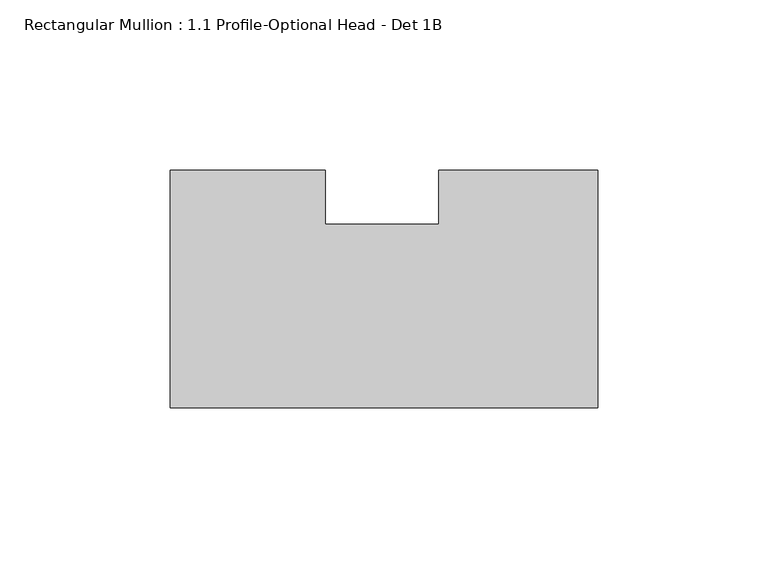
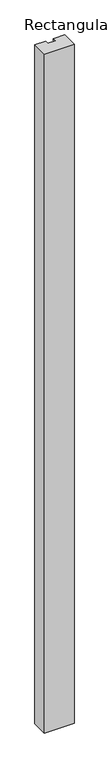
"""IFC4 building model written with IfcOpenShell, lengths in millimetres: member geometry, Rectangular Mullion : 1.1 Profile-Optional Head - Det 1B."""

from ifc_helpers import new_model, si_unit, frame, origin, place, context, project, spatial, polyline, outline, extrude, source, transform, mapped, element, save


def rectangular_mullion_1_1_profile_optional_head_det_1b_4a0eb467(model_context):
    return source(origin(), model_context, "Body", "SweptSolid", [
        extrude(outline(polyline([(-125.7808, -34.925), (-125.7808, 34.925), (-80.1790697, 34.925), (-80.1790697, 19.05), (-46.8663744, 19.05), (-46.8663744, 34.925), (0.0, 34.925), (0.0, -34.925), (-125.7808, -34.925)])), frame((0.0, 0.0, -3048.0), z_axis=(0.0, 0.0, 1.0), x_axis=(1.0, 0.0, 0.0)), (0.0, 0.0, 1.0), 3048.0),
    ])


if __name__ == "__main__":
    model = new_model("IFC4")
    model_context = context("Model", 3, world=origin())
    ifc_project = project(units=[si_unit("LENGTHUNIT", "METRE", prefix="MILLI")], contexts=[model_context])
    site = spatial("IfcSite", under=ifc_project)
    building = spatial("IfcBuilding", under=site)
    placement = place(None, origin())
    rectangular_mullion_1_1_profile_optional_head_det_1b_shape = rectangular_mullion_1_1_profile_optional_head_det_1b_4a0eb467(model_context)
    element("IfcMember", 1, ObjectType="Rectangular Mullion : 1.1 Profile-Optional Head - Det 1B", at=placement, inside=building, context=model_context, shape_type="MappedRepresentation", body=[
        mapped(rectangular_mullion_1_1_profile_optional_head_det_1b_shape, transform((0.0, 0.0, 0.0), x_axis=(1.0, 0.0, 0.0), y_axis=(0.0, 1.0, 0.0), z_axis=(0.0, 0.0, 1.0))),
    ])
    save(model, "model.ifc")
